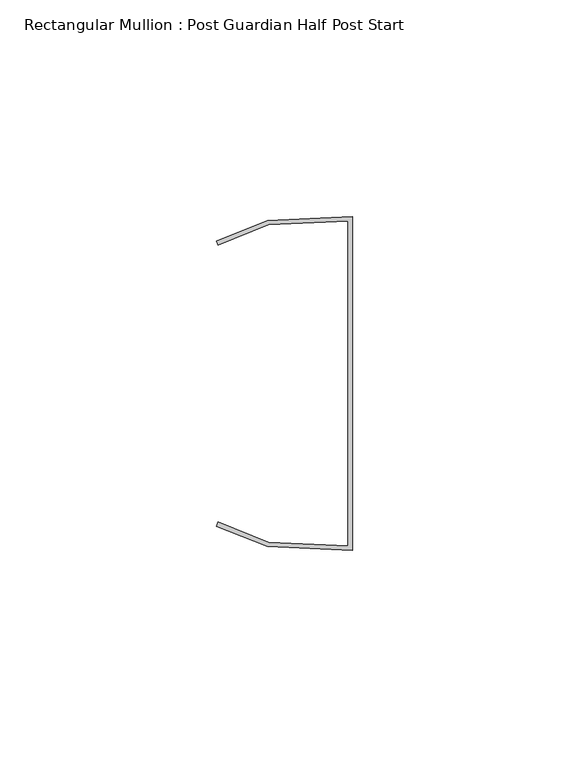
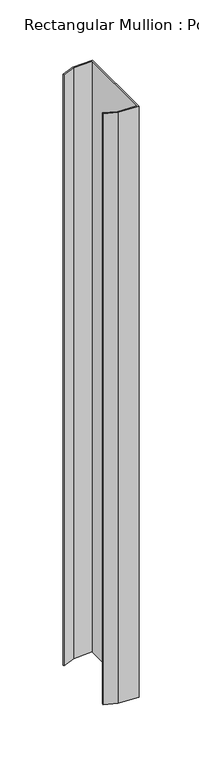
"""IFC4 building model written with IfcOpenShell, lengths in millimetres: member geometry, Rectangular Mullion : Post Guardian Half Post Start."""

from ifc_helpers import new_model, si_unit, frame, origin, place, context, project, spatial, polyline, outline, extrude, source, transform, mapped, element, save


def rectangular_mullion_post_guardian_half_post_start_6931565a(model_context):
    return source(origin(), model_context, "Body", "SweptSolid", [
        extrude(outline(polyline([(-19.3547042, -36.6491978), (-1.0, -37.5), (-1.0, 37.5), (-19.3547042, 36.6491978), (-31.0, 32.007111), (-31.370288, 32.936028), (-19.5688829, 37.6403436), (0.0, 38.5474271), (0.0, -38.5474271), (-19.5688829, -37.6403436), (-31.370288, -32.936028), (-31.0, -32.007111), (-19.3547042, -36.6491978)])), frame((0.0, 0.0, -600.0), z_axis=(0.0, 0.0, 1.0), x_axis=(1.0, 0.0, 0.0)), (0.0, 0.0, 1.0), 600.0),
    ])


if __name__ == "__main__":
    model = new_model("IFC4")
    model_context = context("Model", 3, world=origin())
    ifc_project = project(units=[si_unit("LENGTHUNIT", "METRE", prefix="MILLI")], contexts=[model_context])
    site = spatial("IfcSite", under=ifc_project)
    building = spatial("IfcBuilding", under=site)
    placement = place(None, origin())
    rectangular_mullion_post_guardian_half_post_start_shape = rectangular_mullion_post_guardian_half_post_start_6931565a(model_context)
    element("IfcMember", 1, ObjectType="Rectangular Mullion : Post Guardian Half Post Start", at=placement, inside=building, context=model_context, shape_type="MappedRepresentation", body=[
        mapped(rectangular_mullion_post_guardian_half_post_start_shape, transform((0.0, 0.0, 0.0), x_axis=(1.0, 0.0, 0.0), y_axis=(0.0, 1.0, 0.0), z_axis=(0.0, 0.0, 1.0))),
    ])
    save(model, "model.ifc")
